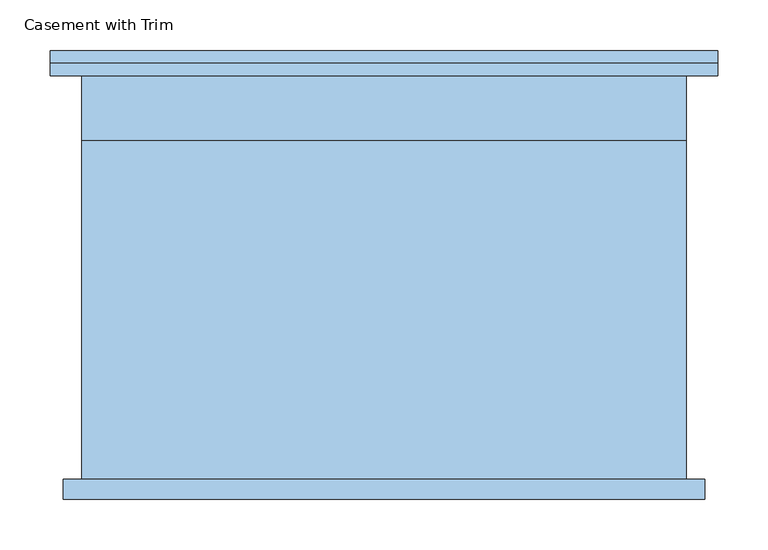
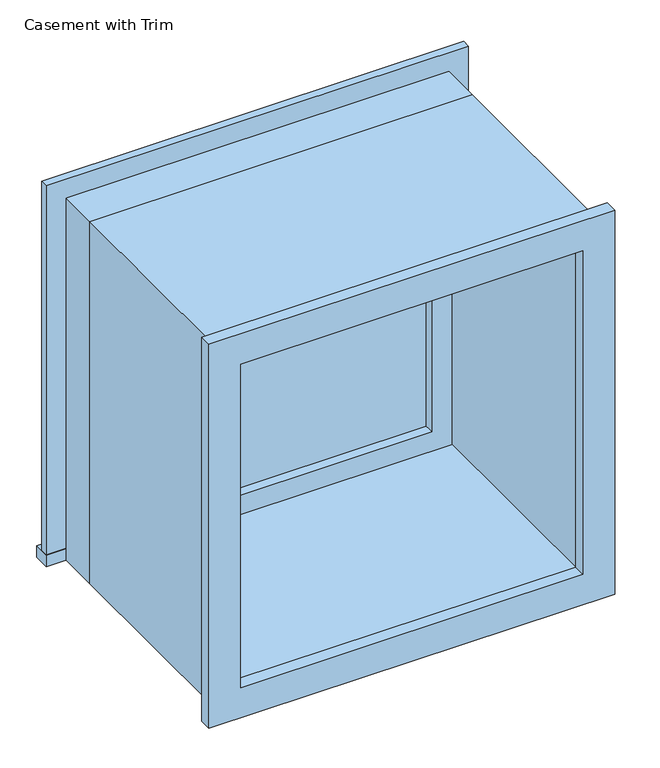
"""IFC4 building model written with IfcOpenShell, lengths in millimetres: window geometry, Casement with Trim."""

from ifc_helpers import new_model, si_unit, frame, origin, place, context, project, spatial, polyline, outline, extrude, source, transform, mapped, element, save


def casement_with_trim_ca45551f(model_context):
    return source(origin(), model_context, "Body", "SweptSolid", [
        extrude(outline(polyline([(-330.95, 225.2), (330.95, 225.2), (330.95, 200.0), (-330.95, 200.0), (-330.95, 225.2)])), frame((0.0, 0.0, 900.0), z_axis=(0.0, 0.0, 1.0), x_axis=(1.0, 0.0, 0.0)), (0.0, 0.0, 1.0), 19.05),
        extrude(outline(polyline([(1480.95, -280.95), (1480.95, 280.95), (919.05, 280.95), (919.05, 330.95), (1530.95, 330.95), (1530.95, -330.95), (919.05, -330.95), (919.05, -280.95), (1480.95, -280.95)])), frame((0.0, 200.0, 0.0), z_axis=(0.0, 1.0, 0.0), x_axis=(0.0, 0.0, 1.0)), (0.0, 0.0, 1.0), 12.5),
        extrude(outline(polyline([(1518.25, 318.25), (1518.25, -318.25), (881.75, -318.25), (881.75, 318.25), (1518.25, 318.25)]), holes=[polyline([(1468.25, 268.25), (931.75, 268.25), (931.75, -268.25), (1468.25, -268.25), (1468.25, 268.25)])]), frame((0.0, -220.0, 0.0), z_axis=(0.0, 1.0, 0.0), x_axis=(0.0, 0.0, 1.0)), (0.0, 0.0, 1.0), 20.0),
        extrude(outline(polyline([(236.5, 151.425), (-236.5, 151.425), (-236.5, 164.125), (236.5, 164.125), (236.5, 151.425)])), frame((0.0, 0.0, 963.5), z_axis=(0.0, 0.0, 1.0), x_axis=(1.0, 0.0, 0.0)), (0.0, 0.0, 1.0), 473.0),
        extrude(outline(polyline([(1480.95, -280.95), (919.05, -280.95), (919.05, 280.95), (1480.95, 280.95), (1480.95, -280.95)]), holes=[polyline([(1436.5, -236.5), (1436.5, 236.5), (963.5, 236.5), (963.5, -236.5), (1436.5, -236.5)])]), frame((0.0, 135.55, 0.0), z_axis=(0.0, 1.0, 0.0), x_axis=(0.0, 0.0, 1.0)), (0.0, 0.0, 1.0), 44.45),
        extrude(outline(polyline([(1500.0, -300.0), (900.0, -300.0), (900.0, 300.0), (1500.0, 300.0), (1500.0, -300.0)]), holes=[polyline([(1468.25, -268.25), (1468.25, 268.25), (931.75, 268.25), (931.75, -268.25), (1468.25, -268.25)])]), frame((0.0, -200.0, 0.0), z_axis=(0.0, 1.0, 0.0), x_axis=(0.0, 0.0, 1.0)), (0.0, 0.0, 1.0), 335.55),
        extrude(outline(polyline([(1500.0, 300.0), (1500.0, -300.0), (900.0, -300.0), (900.0, 300.0), (1500.0, 300.0)]), holes=[polyline([(1480.95, 280.95), (919.05, 280.95), (919.05, -280.95), (1480.95, -280.95), (1480.95, 280.95)])]), frame((0.0, 135.55, 0.0), z_axis=(0.0, 1.0, 0.0), x_axis=(0.0, 0.0, 1.0)), (0.0, 0.0, 1.0), 64.45),
    ])


if __name__ == "__main__":
    model = new_model("IFC4")
    model_context = context("Model", 3, world=origin())
    ifc_project = project(units=[si_unit("LENGTHUNIT", "METRE", prefix="MILLI")], contexts=[model_context])
    site = spatial("IfcSite", under=ifc_project)
    building = spatial("IfcBuilding", under=site)
    placement = place(None, origin())
    casement_with_trim_shape = casement_with_trim_ca45551f(model_context)
    element("IfcWindow", 1, ObjectType="Casement with Trim", at=placement, inside=building, context=model_context, shape_type="MappedRepresentation", body=[
        mapped(casement_with_trim_shape, transform((0.0, 0.0, 0.0), x_axis=(1.0, 0.0, 0.0), y_axis=(0.0, 1.0, 0.0), z_axis=(0.0, 0.0, 1.0))),
    ])
    save(model, "model.ifc")
